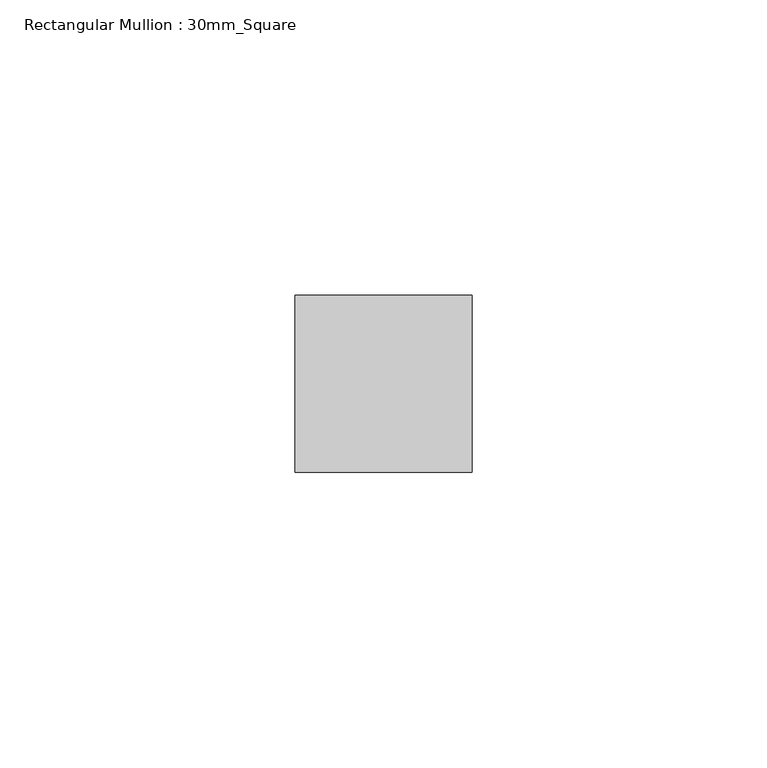
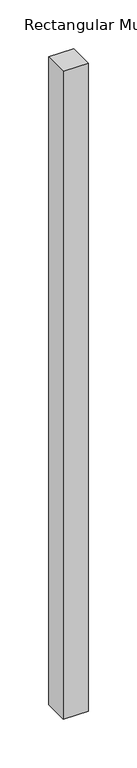
"""IFC4 building model written with IfcOpenShell, lengths in millimetres: member geometry, Rectangular Mullion : 30mm_Square."""

from ifc_helpers import new_model, si_unit, frame, origin, place, context, project, spatial, polyline, outline, extrude, source, transform, mapped, element, save


def rectangular_mullion_30mm_square_25525d3e(model_context):
    return source(origin(), model_context, "Body", "SweptSolid", [
        extrude(outline(polyline([(0.0, 15.0), (0.0, -15.0), (-30.0, -15.0), (-30.0, 15.0), (0.0, 15.0)])), frame((0.0, 0.0, -814.9999997), z_axis=(0.0, 0.0, 1.0), x_axis=(1.0, 0.0, 0.0)), (0.0, 0.0, 1.0), 814.9999997),
    ])


if __name__ == "__main__":
    model = new_model("IFC4")
    model_context = context("Model", 3, world=origin())
    ifc_project = project(units=[si_unit("LENGTHUNIT", "METRE", prefix="MILLI")], contexts=[model_context])
    site = spatial("IfcSite", under=ifc_project)
    building = spatial("IfcBuilding", under=site)
    placement = place(None, origin())
    rectangular_mullion_30mm_square_shape = rectangular_mullion_30mm_square_25525d3e(model_context)
    element("IfcMember", 1, ObjectType="Rectangular Mullion : 30mm_Square", at=placement, inside=building, context=model_context, shape_type="MappedRepresentation", body=[
        mapped(rectangular_mullion_30mm_square_shape, transform((0.0, 0.0, 0.0), x_axis=(1.0, 0.0, 0.0), y_axis=(0.0, 1.0, 0.0), z_axis=(0.0, 0.0, 1.0))),
    ])
    save(model, "model.ifc")
